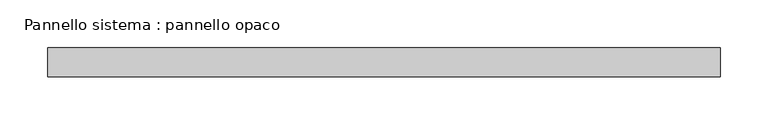
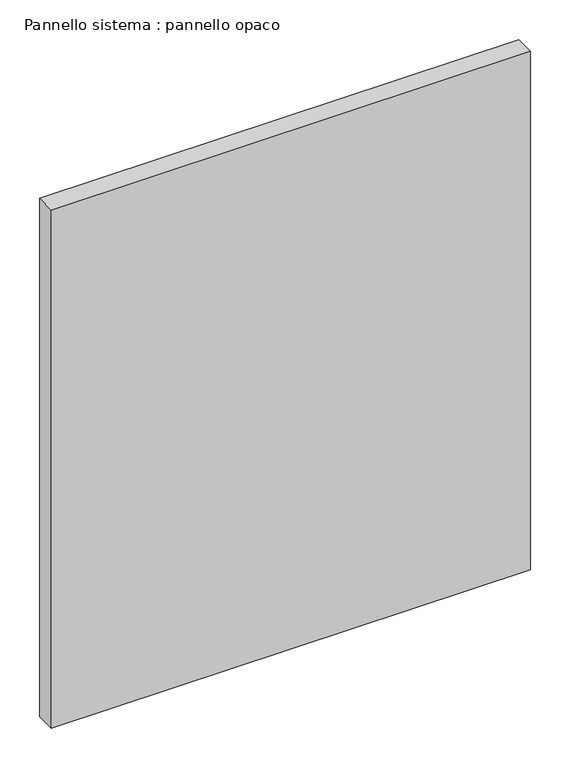
"""IFC4 building model written with IfcOpenShell, lengths in millimetres: plate geometry, Pannello sistema : pannello opaco."""

from ifc_helpers import new_model, si_unit, origin, origin_with_axes, place, context, project, spatial, polyline, outline, extrude, source, transform, mapped, element, save


def pannello_sistema_pannello_opaco_601d9217(model_context):
    return source(origin(), model_context, "Body", "SweptSolid", [
        extrude(outline(polyline([(350.0000459, -15.0), (-350.0000459, -15.0), (-350.0000459, 15.0), (350.0000459, 15.0), (350.0000459, -15.0)])), origin_with_axes(), (0.0, 0.0, 1.0), 800.0),
    ])


if __name__ == "__main__":
    model = new_model("IFC4")
    model_context = context("Model", 3, world=origin())
    ifc_project = project(units=[si_unit("LENGTHUNIT", "METRE", prefix="MILLI")], contexts=[model_context])
    site = spatial("IfcSite", under=ifc_project)
    building = spatial("IfcBuilding", under=site)
    placement = place(None, origin())
    pannello_sistema_pannello_opaco_shape = pannello_sistema_pannello_opaco_601d9217(model_context)
    element("IfcPlate", 1, ObjectType="Pannello sistema : pannello opaco", at=placement, inside=building, context=model_context, shape_type="MappedRepresentation", body=[
        mapped(pannello_sistema_pannello_opaco_shape, transform((0.0, 0.0, 0.0), x_axis=(1.0, 0.0, 0.0), y_axis=(0.0, 1.0, 0.0), z_axis=(0.0, 0.0, 1.0))),
    ])
    save(model, "model.ifc")
